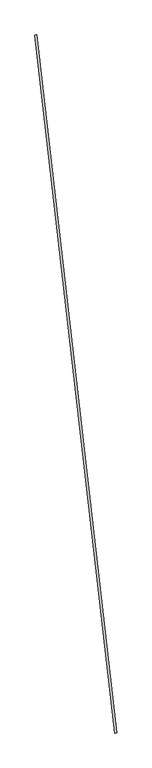
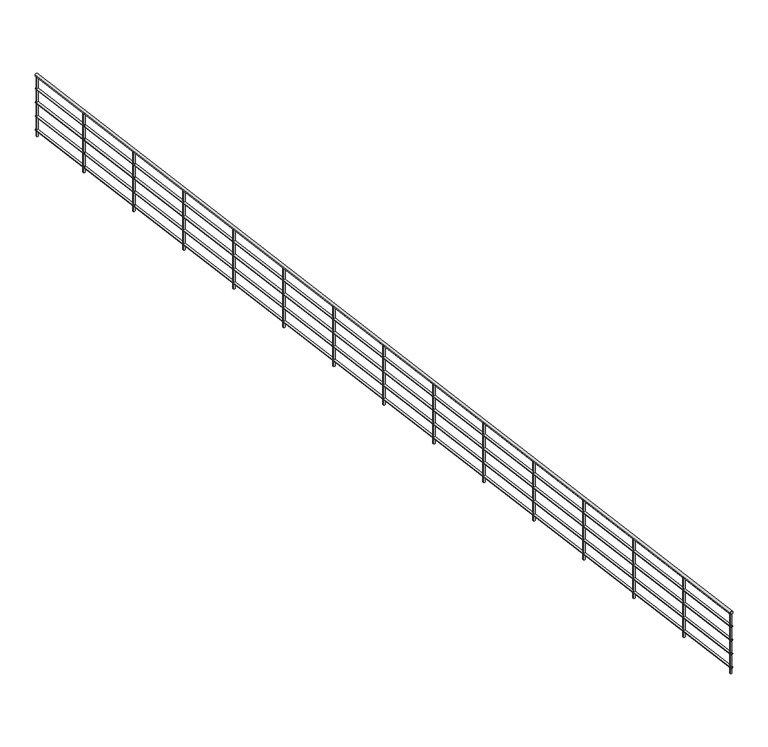
"""IFC4 building model written with IfcOpenShell, lengths in millimetres: railing geometry."""

from ifc_helpers import new_model, si_unit, point, frame, frame_2d, origin, place, context, project, spatial, circle_curve, trimmed, segment, composite_curve, outline, extrude, source, transform, mapped, element, save


def railing_1a1cc68e(model_context):
    return source(origin(), model_context, "Body", "SweptSolid", [
        extrude(outline(composite_curve([segment(trimmed(circle_curve(frame_2d((0.0, 20.0)), 20.0), [point((-19.9999999, 20.0))], [point((20.0, 20.0))], False, "CARTESIAN"), True, "CONTINUOUS"), segment(trimmed(circle_curve(frame_2d((0.0, 20.0)), 20.0), [point((20.0, 20.0))], [point((-19.9999999, 20.0))], False, "CARTESIAN"), True, "CONTINUOUS")], self_intersect=False)), frame((2778.8599143, -3447.4744365, 29500.0), z_axis=(-0.11354659116072449, 0.9935326726564051, 0.0), x_axis=(0.9935326726564051, 0.11354659116072449, 0.0)), (0.0, 0.0, 1.0), 13900.0),
        extrude(outline(composite_curve([segment(trimmed(circle_curve(frame_2d((0.0, 15.0)), 15.0), [point((-15.0, 15.0))], [point((15.0, 15.0))], False, "CARTESIAN"), True, "CONTINUOUS"), segment(trimmed(circle_curve(frame_2d((0.0, 15.0)), 15.0), [point((15.0, 15.0))], [point((-15.0, 15.0))], False, "CARTESIAN"), True, "CONTINUOUS")], self_intersect=False)), frame((2778.8599143, -3447.4744365, 29300.0), z_axis=(-0.11354659116072449, 0.9935326726564051, 0.0), x_axis=(0.9935326726564051, 0.11354659116072449, 0.0)), (0.0, 0.0, 1.0), 13900.0),
        extrude(outline(composite_curve([segment(trimmed(circle_curve(frame_2d((0.0, 15.0)), 15.0), [point((-15.0, 15.0))], [point((15.0, 15.0))], False, "CARTESIAN"), True, "CONTINUOUS"), segment(trimmed(circle_curve(frame_2d((0.0, 15.0)), 15.0), [point((15.0, 15.0))], [point((-15.0, 15.0))], False, "CARTESIAN"), True, "CONTINUOUS")], self_intersect=False)), frame((2778.8599143, -3447.4744365, 29100.0), z_axis=(-0.11354659116072449, 0.9935326726564051, 0.0), x_axis=(0.9935326726564051, 0.11354659116072449, 0.0)), (0.0, 0.0, 1.0), 13900.0),
        extrude(outline(composite_curve([segment(trimmed(circle_curve(frame_2d((0.0, 15.0)), 15.0), [point((-15.0, 15.0))], [point((15.0, 15.0))], False, "CARTESIAN"), True, "CONTINUOUS"), segment(trimmed(circle_curve(frame_2d((0.0, 15.0)), 15.0), [point((15.0, 15.0))], [point((-15.0, 15.0))], False, "CARTESIAN"), True, "CONTINUOUS")], self_intersect=False)), frame((2778.8599143, -3447.4744365, 28900.0), z_axis=(-0.11354659116072449, 0.9935326726564051, 0.0), x_axis=(0.9935326726564051, 0.11354659116072449, 0.0)), (0.0, 0.0, 1.0), 13900.0),
        extrude(outline(composite_curve([segment(trimmed(circle_curve(frame_2d((0.0, 15.0)), 15.0), [point((-15.0, 15.0))], [point((15.0, 15.0))], False, "CARTESIAN"), True, "CONTINUOUS"), segment(trimmed(circle_curve(frame_2d((0.0, 15.0)), 15.0), [point((15.0, 15.0))], [point((-15.0, 15.0))], False, "CARTESIAN"), True, "CONTINUOUS")], self_intersect=False)), frame((2778.8599143, -3447.4744365, 28700.0), z_axis=(-0.11354659116072449, 0.9935326726564051, 0.0), x_axis=(0.9935326726564051, 0.11354659116072449, 0.0)), (0.0, 0.0, 1.0), 13900.0),
        extrude(outline(composite_curve([segment(trimmed(circle_curve(frame_2d((1308.4315588, 9418.7736744)), 12.5), [point((1296.0124004, 9417.354342))], [point((1320.8507172, 9420.1930068))], False, "CARTESIAN"), True, "CONTINUOUS"), segment(trimmed(circle_curve(frame_2d((1308.4315588, 9418.7736744)), 12.5), [point((1320.8507172, 9420.1930068))], [point((1296.0124004, 9417.354342))], False, "CARTESIAN"), True, "CONTINUOUS")], self_intersect=False)), frame((0.0, 0.0, 28600.0), z_axis=(0.0, 0.0, 1.0), x_axis=(1.0, 0.0, 0.0)), (0.0, 0.0, 1.0), 860.0),
        extrude(outline(composite_curve([segment(trimmed(circle_curve(frame_2d((1421.9781499, 8425.2410017)), 12.5), [point((1409.5589915, 8423.8216693))], [point((1434.3973083, 8426.6603341))], False, "CARTESIAN"), True, "CONTINUOUS"), segment(trimmed(circle_curve(frame_2d((1421.9781499, 8425.2410017)), 12.5), [point((1434.3973083, 8426.6603341))], [point((1409.5589915, 8423.8216693))], False, "CARTESIAN"), True, "CONTINUOUS")], self_intersect=False)), frame((0.0, 0.0, 28600.0), z_axis=(0.0, 0.0, 1.0), x_axis=(1.0, 0.0, 0.0)), (0.0, 0.0, 1.0), 860.0),
        extrude(outline(composite_curve([segment(trimmed(circle_curve(frame_2d((1535.5247411, 7431.7083291)), 12.5), [point((1523.1055827, 7430.2889967))], [point((1547.9438995, 7433.1276615))], False, "CARTESIAN"), True, "CONTINUOUS"), segment(trimmed(circle_curve(frame_2d((1535.5247411, 7431.7083291)), 12.5), [point((1547.9438995, 7433.1276615))], [point((1523.1055827, 7430.2889967))], False, "CARTESIAN"), True, "CONTINUOUS")], self_intersect=False)), frame((0.0, 0.0, 28600.0), z_axis=(0.0, 0.0, 1.0), x_axis=(1.0, 0.0, 0.0)), (0.0, 0.0, 1.0), 860.0),
        extrude(outline(composite_curve([segment(trimmed(circle_curve(frame_2d((1649.0713323, 6438.1756564)), 12.5), [point((1636.6521739, 6436.756324))], [point((1661.4904907, 6439.5949888))], False, "CARTESIAN"), True, "CONTINUOUS"), segment(trimmed(circle_curve(frame_2d((1649.0713323, 6438.1756564)), 12.5), [point((1661.4904907, 6439.5949888))], [point((1636.6521739, 6436.756324))], False, "CARTESIAN"), True, "CONTINUOUS")], self_intersect=False)), frame((0.0, 0.0, 28600.0), z_axis=(0.0, 0.0, 1.0), x_axis=(1.0, 0.0, 0.0)), (0.0, 0.0, 1.0), 860.0),
        extrude(outline(composite_curve([segment(trimmed(circle_curve(frame_2d((1762.6179234, 5444.6429838)), 12.5), [point((1750.198765, 5443.2236514))], [point((1775.0370818, 5446.0623161))], False, "CARTESIAN"), True, "CONTINUOUS"), segment(trimmed(circle_curve(frame_2d((1762.6179234, 5444.6429838)), 12.5), [point((1775.0370818, 5446.0623161))], [point((1750.198765, 5443.2236514))], False, "CARTESIAN"), True, "CONTINUOUS")], self_intersect=False)), frame((0.0, 0.0, 28600.0), z_axis=(0.0, 0.0, 1.0), x_axis=(1.0, 0.0, 0.0)), (0.0, 0.0, 1.0), 860.0),
        extrude(outline(composite_curve([segment(trimmed(circle_curve(frame_2d((1876.1645146, 4451.1103111)), 12.5), [point((1863.7453562, 4449.6909787))], [point((1888.583673, 4452.5296435))], False, "CARTESIAN"), True, "CONTINUOUS"), segment(trimmed(circle_curve(frame_2d((1876.1645146, 4451.1103111)), 12.5), [point((1888.583673, 4452.5296435))], [point((1863.7453562, 4449.6909787))], False, "CARTESIAN"), True, "CONTINUOUS")], self_intersect=False)), frame((0.0, 0.0, 28600.0), z_axis=(0.0, 0.0, 1.0), x_axis=(1.0, 0.0, 0.0)), (0.0, 0.0, 1.0), 860.0),
        extrude(outline(composite_curve([segment(trimmed(circle_curve(frame_2d((1989.7111057, 3457.5776384)), 12.5), [point((1977.2919473, 3456.1583061))], [point((2002.1302642, 3458.9969708))], False, "CARTESIAN"), True, "CONTINUOUS"), segment(trimmed(circle_curve(frame_2d((1989.7111057, 3457.5776384)), 12.5), [point((2002.1302642, 3458.9969708))], [point((1977.2919473, 3456.1583061))], False, "CARTESIAN"), True, "CONTINUOUS")], self_intersect=False)), frame((0.0, 0.0, 28600.0), z_axis=(0.0, 0.0, 1.0), x_axis=(1.0, 0.0, 0.0)), (0.0, 0.0, 1.0), 860.0),
        extrude(outline(composite_curve([segment(trimmed(circle_curve(frame_2d((2103.2576969, 2464.0449658)), 12.5), [point((2090.8385385, 2462.6256334))], [point((2115.6768553, 2465.4642982))], False, "CARTESIAN"), True, "CONTINUOUS"), segment(trimmed(circle_curve(frame_2d((2103.2576969, 2464.0449658)), 12.5), [point((2115.6768553, 2465.4642982))], [point((2090.8385385, 2462.6256334))], False, "CARTESIAN"), True, "CONTINUOUS")], self_intersect=False)), frame((0.0, 0.0, 28600.0), z_axis=(0.0, 0.0, 1.0), x_axis=(1.0, 0.0, 0.0)), (0.0, 0.0, 1.0), 860.0),
        extrude(outline(composite_curve([segment(trimmed(circle_curve(frame_2d((2216.8042881, 1470.5122931)), 12.5), [point((2204.3851297, 1469.0929607))], [point((2229.2234465, 1471.9316255))], False, "CARTESIAN"), True, "CONTINUOUS"), segment(trimmed(circle_curve(frame_2d((2216.8042881, 1470.5122931)), 12.5), [point((2229.2234465, 1471.9316255))], [point((2204.3851297, 1469.0929607))], False, "CARTESIAN"), True, "CONTINUOUS")], self_intersect=False)), frame((0.0, 0.0, 28600.0), z_axis=(0.0, 0.0, 1.0), x_axis=(1.0, 0.0, 0.0)), (0.0, 0.0, 1.0), 860.0),
        extrude(outline(composite_curve([segment(trimmed(circle_curve(frame_2d((2330.3508792, 476.9796205)), 12.5), [point((2317.9317208, 475.5602881))], [point((2342.7700376, 478.3989529))], False, "CARTESIAN"), True, "CONTINUOUS"), segment(trimmed(circle_curve(frame_2d((2330.3508792, 476.9796205)), 12.5), [point((2342.7700376, 478.3989529))], [point((2317.9317208, 475.5602881))], False, "CARTESIAN"), True, "CONTINUOUS")], self_intersect=False)), frame((0.0, 0.0, 28600.0), z_axis=(0.0, 0.0, 1.0), x_axis=(1.0, 0.0, 0.0)), (0.0, 0.0, 1.0), 860.0),
        extrude(outline(composite_curve([segment(trimmed(circle_curve(frame_2d((2443.8974704, -516.5530522)), 12.5), [point((2431.478312, -517.9723846))], [point((2456.3166288, -515.1337198))], False, "CARTESIAN"), True, "CONTINUOUS"), segment(trimmed(circle_curve(frame_2d((2443.8974704, -516.5530522)), 12.5), [point((2456.3166288, -515.1337198))], [point((2431.478312, -517.9723846))], False, "CARTESIAN"), True, "CONTINUOUS")], self_intersect=False)), frame((0.0, 0.0, 28600.0), z_axis=(0.0, 0.0, 1.0), x_axis=(1.0, 0.0, 0.0)), (0.0, 0.0, 1.0), 860.0),
        extrude(outline(composite_curve([segment(trimmed(circle_curve(frame_2d((2557.4440615, -1510.0857248)), 12.5), [point((2545.0249031, -1511.5050572))], [point((2569.86322, -1508.6663925))], False, "CARTESIAN"), True, "CONTINUOUS"), segment(trimmed(circle_curve(frame_2d((2557.4440615, -1510.0857248)), 12.5), [point((2569.86322, -1508.6663925))], [point((2545.0249031, -1511.5050572))], False, "CARTESIAN"), True, "CONTINUOUS")], self_intersect=False)), frame((0.0, 0.0, 28600.0), z_axis=(0.0, 0.0, 1.0), x_axis=(1.0, 0.0, 0.0)), (0.0, 0.0, 1.0), 860.0),
        extrude(outline(composite_curve([segment(trimmed(circle_curve(frame_2d((2670.9906527, -2503.6183975)), 12.5), [point((2658.5714943, -2505.0377299))], [point((2683.4098111, -2502.1990651))], False, "CARTESIAN"), True, "CONTINUOUS"), segment(trimmed(circle_curve(frame_2d((2670.9906527, -2503.6183975)), 12.5), [point((2683.4098111, -2502.1990651))], [point((2658.5714943, -2505.0377299))], False, "CARTESIAN"), True, "CONTINUOUS")], self_intersect=False)), frame((0.0, 0.0, 28600.0), z_axis=(0.0, 0.0, 1.0), x_axis=(1.0, 0.0, 0.0)), (0.0, 0.0, 1.0), 860.0),
        extrude(outline(composite_curve([segment(trimmed(circle_curve(frame_2d((1201.9460439, 10350.5219292)), 12.5), [point((1189.5268855, 10349.1025968))], [point((1214.3652023, 10351.9412616))], False, "CARTESIAN"), True, "CONTINUOUS"), segment(trimmed(circle_curve(frame_2d((1201.9460439, 10350.5219292)), 12.5), [point((1214.3652023, 10351.9412616))], [point((1189.5268855, 10349.1025968))], False, "CARTESIAN"), True, "CONTINUOUS")], self_intersect=False)), frame((0.0, 0.0, 28600.0), z_axis=(0.0, 0.0, 1.0), x_axis=(1.0, 0.0, 0.0)), (0.0, 0.0, 1.0), 860.0),
        extrude(outline(composite_curve([segment(trimmed(circle_curve(frame_2d((2777.4761675, -3435.3666523)), 12.5), [point((2765.0570091, -3436.7859847))], [point((2789.895326, -3433.94732))], False, "CARTESIAN"), True, "CONTINUOUS"), segment(trimmed(circle_curve(frame_2d((2777.4761675, -3435.3666523)), 12.5), [point((2789.895326, -3433.94732))], [point((2765.0570091, -3436.7859847))], False, "CARTESIAN"), True, "CONTINUOUS")], self_intersect=False)), frame((0.0, 0.0, 28600.0), z_axis=(0.0, 0.0, 1.0), x_axis=(1.0, 0.0, 0.0)), (0.0, 0.0, 1.0), 860.0),
    ])


if __name__ == "__main__":
    model = new_model("IFC4")
    model_context = context("Model", 3, world=origin())
    ifc_project = project(units=[si_unit("LENGTHUNIT", "METRE", prefix="MILLI")], contexts=[model_context])
    site = spatial("IfcSite", under=ifc_project)
    building = spatial("IfcBuilding", under=site)
    placement = place(None, origin())
    railing_shape = railing_1a1cc68e(model_context)
    element("IfcRailing", 1, at=placement, inside=building, context=model_context, shape_type="MappedRepresentation", body=[
        mapped(railing_shape, transform((0.0, 0.0, 0.0), x_axis=(1.0, 0.0, 0.0), y_axis=(0.0, 1.0, 0.0), z_axis=(0.0, 0.0, 1.0))),
    ])
    save(model, "model.ifc")
